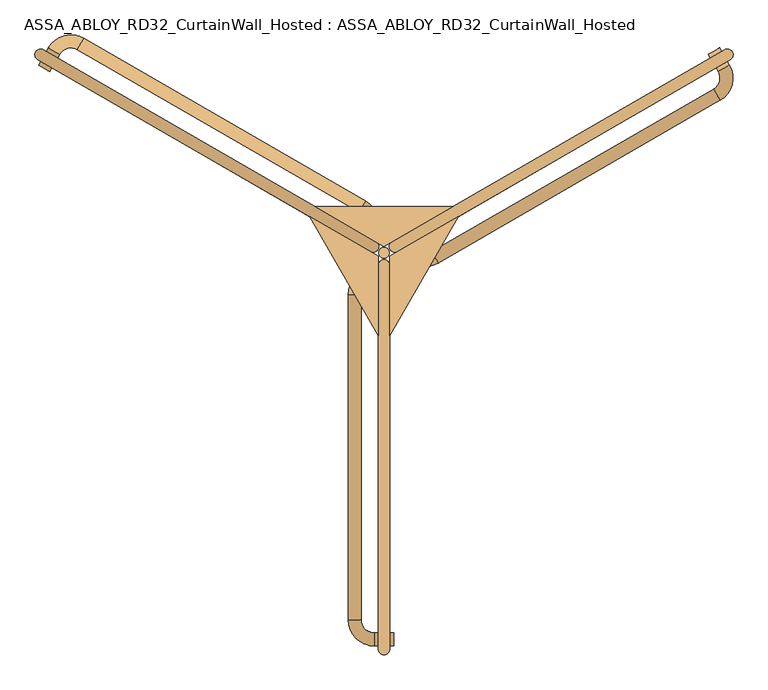
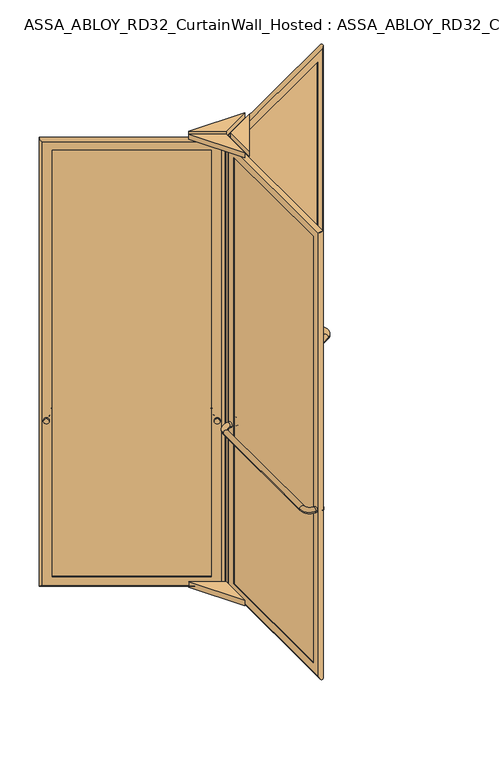
"""IFC4 building model written with IfcOpenShell, lengths in millimetres: door geometry, ASSA_ABLOY_RD32_CurtainWall_Hosted : ASSA_ABLOY_RD32_CurtainWall_Hosted."""

from ifc_helpers import new_model, si_unit, point, frame, frame_2d, origin, origin_with_axes, origin_2d, place, context, project, spatial, polyline, circle_curve, ellipse_curve, trimmed, segment, composite_curve, outline, extrude, source, transform, mapped, element, save
from ifc_brep_helpers import plane_surface, cylinder_surface, revolved_surface, advanced_brep


def assa_abloy_rd32_curtainwall_hosted_assa_abloy_rd32_2fb8576d(model_context):
    return source(origin(), model_context, "Body", "SolidModel", [
        extrude(outline(composite_curve([segment(trimmed(circle_curve(origin_2d(), 15.0), [point((0.0, 15.0))], [point((0.0, -15.0))], False, "CARTESIAN"), True, "CONTINUOUS"), segment(trimmed(circle_curve(origin_2d(), 15.0), [point((0.0, -15.0))], [point((0.0, 15.0))], False, "CARTESIAN"), True, "CONTINUOUS")], self_intersect=False)), frame((769.6319669, 459.3583302, 1050.0), z_axis=(-0.4999999999999966, 0.8660254037844406, 0.0), x_axis=(0.0, 0.0, 1.0)), (0.0, 0.0, 1.0), 10.0),
        extrude(outline(composite_curve([segment(trimmed(circle_curve(origin_2d(), 15.0), [point((0.0, 15.0))], [point((0.0, -15.0))], False, "CARTESIAN"), True, "CONTINUOUS"), segment(trimmed(circle_curve(origin_2d(), 15.0), [point((0.0, -15.0))], [point((0.0, 15.0))], False, "CARTESIAN"), True, "CONTINUOUS")], self_intersect=False)), frame((38.533321, 37.2583302, 1050.0), z_axis=(-0.4999999999999966, 0.8660254037844406, 0.0), x_axis=(0.0, 0.0, 1.0)), (0.0, 0.0, 1.0), 10.0),
        advanced_brep(
        [(38.5429399, 7.2416698, 1050.0), (64.5237021, 22.2416698, 1050.0), (43.5429399, -1.4185843, 1050.0), (69.5237021, 13.5814157, 1050.0), (110.5044642, 2.6006536, 1050.0), (125.5044642, -23.3801085, 1050.0), (778.6608237, 353.7198915, 1050.0), (763.6608237, 379.7006536, 1050.0), (774.6415858, 420.6814157, 1050.0), (800.6223479, 435.6814157, 1050.0), (795.6223479, 444.3416698, 1050.0), (769.6415858, 429.3416698, 1050.0)],
        [
            (0, 1, circle_curve(frame((51.533321, 14.7416698, 1050.0), z_axis=(-0.4999999999999966, 0.8660254037844406, 0.0), x_axis=(0.8660254037844406, 0.4999999999999966, 0.0)), 15.0)),
            (1, 0, circle_curve(frame((51.533321, 14.7416698, 1050.0), z_axis=(-0.4999999999999966, 0.8660254037844406, 0.0), x_axis=(0.8660254037844406, 0.4999999999999966, 0.0)), 15.0)),
            (0, 2),
            (2, 3, circle_curve(frame((56.533321, 6.0814157, 1050.0), z_axis=(-0.4999999999999966, 0.8660254037844406, 0.0), x_axis=(0.8660254037844406, 0.4999999999999966, 0.0)), 15.0)),
            (3, 1),
            (3, 2, circle_curve(frame((56.533321, 6.0814157, 1050.0), z_axis=(-0.4999999999999966, 0.8660254037844406, 0.0), x_axis=(0.8660254037844406, 0.4999999999999966, 0.0)), 15.0)),
            (4, 3, circle_curve(frame((95.5044642, 28.5814157, 1050.0), z_axis=(0.0, 0.0, -1.0), x_axis=(-0.8660254037844438, -0.499999999999991, 0.0)), 30.0)),
            (2, 5, circle_curve(frame((95.5044642, 28.5814157, 1050.0), z_axis=(0.0, 0.0, 1.0), x_axis=(-0.8660254037844438, -0.499999999999991, 0.0)), 60.0)),
            (5, 4, circle_curve(frame((118.0044642, -10.3897275, 1050.0), z_axis=(-0.8660254037844638, -0.49999999999995637, 0.0), x_axis=(-0.49999999999995637, 0.8660254037844638, 0.0)), 15.0)),
            (4, 5, circle_curve(frame((118.0044642, -10.3897275, 1050.0), z_axis=(-0.866025403784482, -0.4999999999999248, 0.0), x_axis=(-0.4999999999999248, 0.866025403784482, 0.0)), 15.0)),
            (5, 6),
            (6, 7, circle_curve(frame((771.1608237, 366.7102725, 1050.0), z_axis=(-0.8660254037844406, -0.4999999999999966, 0.0), x_axis=(-0.4999999999999966, 0.8660254037844406, 0.0)), 15.0)),
            (7, 4),
            (7, 6, circle_curve(frame((771.1608237, 366.7102725, 1050.0), z_axis=(-0.8660254037844406, -0.4999999999999966, 0.0), x_axis=(-0.4999999999999966, 0.8660254037844406, 0.0)), 15.0)),
            (8, 7, circle_curve(frame((748.6608237, 405.6814157, 1050.0), z_axis=(0.0, 0.0, -1.0), x_axis=(0.4999999999999914, -0.8660254037844436, 0.0)), 30.0)),
            (6, 9, circle_curve(frame((748.6608237, 405.6814157, 1050.0), z_axis=(0.0, 0.0, 1.0), x_axis=(0.4999999999999914, -0.8660254037844436, 0.0)), 60.0)),
            (9, 8, circle_curve(frame((787.6319669, 428.1814157, 1050.0), z_axis=(0.4999999999999946, -0.8660254037844417, 0.0), x_axis=(-0.8660254037844417, -0.4999999999999946, 0.0)), 15.0)),
            (8, 9, circle_curve(frame((787.6319669, 428.1814157, 1050.0), z_axis=(0.4999999999999925, -0.8660254037844429, 0.0), x_axis=(-0.8660254037844429, -0.4999999999999925, 0.0)), 15.0)),
            (10, 11, circle_curve(frame((782.6319669, 436.8416698, 1050.0), z_axis=(-0.4999999999999966, 0.8660254037844406, 0.0), x_axis=(-0.8660254037844406, -0.4999999999999966, 0.0)), 15.0)),
            (11, 10, circle_curve(frame((782.6319669, 436.8416698, 1050.0), z_axis=(-0.4999999999999966, 0.8660254037844406, 0.0), x_axis=(-0.8660254037844406, -0.4999999999999966, 0.0)), 15.0)),
            (9, 10),
            (11, 8),
        ],
        [
            plane_surface(frame((51.533321, 14.7416698, 1050.0), z_axis=(-0.4999999999999966, 0.8660254037844406, 0.0), x_axis=(0.0, 0.0, 1.0))),
            cylinder_surface(frame((51.533321, 14.7416698, 1050.0), z_axis=(-0.4999999999999966, 0.8660254037844406, 0.0), x_axis=(0.8660254037844406, 0.4999999999999966, 0.0)), 15.0),
            revolved_surface(trimmed(ellipse_curve(frame((56.533321, 6.0814157, 1050.0), z_axis=(-0.499999999999991, 0.8660254037844438, 0.0), x_axis=(0.8660254037844438, 0.499999999999991, 0.0)), 15.0, 15.0), [point((43.5429399, -1.4185843, 1050.0))], [point((69.5237021, 13.5814157, 1050.0))], True, "CARTESIAN"), (95.5044642, 28.5814157, 1050.0), (0.0, 0.0, 1.0)),
            revolved_surface(trimmed(ellipse_curve(frame((56.533321, 6.0814157, 1050.0), z_axis=(-0.499999999999991, 0.8660254037844438, 0.0), x_axis=(0.8660254037844438, 0.499999999999991, 0.0)), 15.0, 15.0), [point((69.5237021, 13.5814157, 1050.0))], [point((43.5429399, -1.4185843, 1050.0))], True, "CARTESIAN"), (95.5044642, 28.5814157, 1050.0), (0.0, 0.0, 1.0)),
            cylinder_surface(frame((118.0044642, -10.3897275, 1050.0), z_axis=(-0.8660254037844406, -0.4999999999999966, 0.0), x_axis=(-0.4999999999999966, 0.8660254037844406, 0.0)), 15.0),
            revolved_surface(trimmed(ellipse_curve(frame((771.1608237, 366.7102725, 1050.0), z_axis=(-0.8660254037844436, -0.4999999999999914, 0.0), x_axis=(-0.4999999999999914, 0.8660254037844436, 0.0)), 15.0, 15.0), [point((778.6608237, 353.7198915, 1050.0))], [point((763.6608237, 379.7006536, 1050.0))], True, "CARTESIAN"), (748.6608237, 405.6814157, 1050.0), (0.0, 0.0, 1.0)),
            revolved_surface(trimmed(ellipse_curve(frame((771.1608237, 366.7102725, 1050.0), z_axis=(-0.8660254037844436, -0.4999999999999914, 0.0), x_axis=(-0.4999999999999914, 0.8660254037844436, 0.0)), 15.0, 15.0), [point((763.6608237, 379.7006536, 1050.0))], [point((778.6608237, 353.7198915, 1050.0))], True, "CARTESIAN"), (748.6608237, 405.6814157, 1050.0), (0.0, 0.0, 1.0)),
            plane_surface(frame((782.6319669, 436.8416698, 1050.0), z_axis=(-0.4999999999999966, 0.8660254037844406, 0.0), x_axis=(0.0, 0.0, 1.0))),
            cylinder_surface(frame((787.6319669, 428.1814157, 1050.0), z_axis=(0.4999999999999966, -0.8660254037844406, 0.0), x_axis=(-0.8660254037844406, -0.4999999999999966, 0.0)), 15.0),
        ],
        [
            (0, [[1, 2]]),
            (1, [[-1, 3, 4, 5]]),
            (1, [[-2, -5, 6, -3]]),
            (2, [[7, -4, 8, 9]]),
            (3, [[-8, -6, -7, 10]]),
            (4, [[-9, 11, 12, 13]]),
            (4, [[-10, -13, 14, -11]]),
            (5, [[15, -12, 16, 17]]),
            (6, [[-16, -14, -15, 18]]),
            (7, [[19, 20]]),
            (8, [[-17, 21, -20, 22]]),
            (8, [[-18, -22, -19, -21]]),
        ],
    ),
        advanced_brep(
        [(756.0172302, 424.939746, 105.0), (757.5172302, 422.3416698, 105.0), (757.5172302, 422.3416698, 2679.0), (756.0172302, 424.939746, 2679.0), (763.3377382, 452.260254, 85.0), (773.3377382, 434.939746, 85.0), (773.3377382, 434.939746, 2699.0), (763.3377382, 452.260254, 2699.0), (744.5172302, 444.8583302, 105.0), (746.0172302, 442.260254, 105.0), (746.0172302, 442.260254, 2679.0), (744.5172302, 444.8583302, 2679.0), (802.5505512, 448.3416698, 53.0), (789.5505512, 470.8583302, 53.0), (789.5505512, 470.8583302, 2731.0), (802.5505512, 448.3416698, 2731.0), (76.6480577, 29.2416698, 2679.0), (75.1480577, 31.839746, 2679.0), (57.8275496, 21.839746, 2699.0), (47.8275496, 39.160254, 2699.0), (65.1480577, 49.160254, 2679.0), (63.6480577, 51.7583302, 2679.0), (18.6147367, 25.7583302, 2731.0), (31.6147367, 3.2416698, 2731.0), (76.6480577, 29.2416698, 105.0), (75.1480577, 31.839746, 105.0), (57.8275496, 21.839746, 85.0), (47.8275496, 39.160254, 85.0), (65.1480577, 49.160254, 105.0), (63.6480577, 51.7583302, 105.0), (18.6147367, 25.7583302, 53.0), (31.6147367, 3.2416698, 53.0)],
        [
            (0, 1),
            (1, 2),
            (2, 3),
            (3, 0),
            (4, 5),
            (5, 6),
            (6, 7),
            (7, 4),
            (8, 9),
            (9, 10),
            (10, 11),
            (11, 8),
            (12, 13, ellipse_curve(frame((796.0505512, 459.6, 53.0), z_axis=(0.6123724356958007, 0.35355339059326285, 0.7071067811865475), x_axis=(0.6123724356957908, 0.3535533905932797, -0.7071067811865477)), 18.3847763, 13.0)),
            (13, 14),
            (14, 15, ellipse_curve(frame((796.0505512, 459.6, 2731.0), z_axis=(0.612372435695791, 0.3535533905932798, -0.7071067811865475), x_axis=(-0.6123724356958007, -0.3535533905932628, -0.7071067811865476)), 18.3847763, 13.0)),
            (15, 12),
            (2, 16),
            (16, 17),
            (17, 3),
            (6, 18),
            (18, 19),
            (19, 7),
            (10, 20),
            (20, 21),
            (21, 11),
            (14, 22),
            (22, 23, ellipse_curve(frame((25.1147367, 14.5, 2731.0), z_axis=(0.6123724356958007, 0.35355339059326285, 0.7071067811865475), x_axis=(0.6123724356957913, 0.35355339059327995, -0.7071067811865472)), 18.3847763, 13.0)),
            (23, 15),
            (16, 24),
            (24, 25),
            (25, 17),
            (18, 26),
            (26, 27),
            (27, 19),
            (20, 28),
            (28, 29),
            (29, 21),
            (22, 30),
            (30, 31, ellipse_curve(frame((25.1147367, 14.5, 53.0), z_axis=(-0.612372435695791, -0.3535533905932798, 0.7071067811865475), x_axis=(0.6123724356958007, 0.3535533905932628, 0.7071067811865476)), 18.3847763, 13.0)),
            (31, 23),
            (24, 1),
            (0, 25),
            (5, 26),
            (4, 27),
            (9, 28),
            (8, 29),
            (13, 30),
            (12, 31),
        ],
        [
            plane_surface(frame((757.5172302, 422.3416698, 105.0), z_axis=(-0.8660254037844419, -0.49999999999999445, 0.0), x_axis=(0.0, 0.0, 1.0))),
            plane_surface(frame((773.3377382, 434.939746, 85.0), z_axis=(-0.8660254037844408, -0.4999999999999964, 0.0), x_axis=(0.0, 0.0, 1.0))),
            plane_surface(frame((746.0172302, 442.260254, 105.0), z_axis=(-0.8660254037844419, -0.49999999999999445, 0.0), x_axis=(0.0, 0.0, 1.0))),
            cylinder_surface(frame((796.0505512, 459.6, 40.0), z_axis=(0.0, 0.0, -1.0), x_axis=(-0.8660254037844406, -0.4999999999999966, 0.0)), 13.0),
            plane_surface(frame((757.5172302, 422.3416698, 2679.0), z_axis=(0.0, 0.0, -1.0), x_axis=(-0.8660254037844406, -0.4999999999999966, 0.0))),
            plane_surface(frame((773.3377382, 434.939746, 2699.0), z_axis=(0.0, 0.0, -1.0), x_axis=(-0.8660254037844406, -0.4999999999999966, 0.0))),
            plane_surface(frame((746.0172302, 442.260254, 2679.0), z_axis=(0.0, 0.0, -1.0), x_axis=(-0.8660254037844406, -0.4999999999999966, 0.0))),
            cylinder_surface(frame((807.3088814, 466.1, 2731.0), z_axis=(0.8660254037844406, 0.4999999999999966, 0.0), x_axis=(0.0, 0.0, -1.0)), 13.0),
            plane_surface(frame((76.6480577, 29.2416698, 2679.0), z_axis=(0.8660254037844394, 0.49999999999999883, 0.0), x_axis=(0.0, 0.0, -1.0))),
            plane_surface(frame((57.8275496, 21.839746, 2699.0), z_axis=(0.8660254037844405, 0.4999999999999969, 0.0), x_axis=(0.0, 0.0, -1.0))),
            plane_surface(frame((65.1480577, 49.160254, 2679.0), z_axis=(0.8660254037844394, 0.49999999999999883, 0.0), x_axis=(0.0, 0.0, -1.0))),
            cylinder_surface(frame((25.1147367, 14.5, 2744.0), z_axis=(0.0, 0.0, 1.0), x_axis=(0.8660254037844406, 0.4999999999999966, 0.0)), 13.0),
            plane_surface(frame((76.6480577, 29.2416698, 105.0), z_axis=(0.0, 0.0, 1.0), x_axis=(0.8660254037844406, 0.4999999999999966, 0.0))),
            plane_surface(frame((75.1480577, 31.839746, 105.0), z_axis=(-0.4999999999999966, 0.8660254037844406, 0.0), x_axis=(0.8660254037844406, 0.4999999999999966, 0.0))),
            plane_surface(frame((57.8275496, 21.839746, 85.0), z_axis=(0.0, 0.0, 1.0), x_axis=(0.8660254037844406, 0.4999999999999966, 0.0))),
            plane_surface(frame((47.8275496, 39.160254, 85.0), z_axis=(0.4999999999999966, -0.8660254037844406, 0.0), x_axis=(0.8660254037844406, 0.4999999999999966, 0.0))),
            plane_surface(frame((65.1480577, 49.160254, 105.0), z_axis=(0.0, 0.0, 1.0), x_axis=(0.8660254037844406, 0.4999999999999966, 0.0))),
            plane_surface(frame((63.6480577, 51.7583302, 105.0), z_axis=(-0.4999999999999966, 0.8660254037844406, 0.0), x_axis=(0.8660254037844406, 0.4999999999999966, 0.0))),
            cylinder_surface(frame((13.8564065, 8.0, 53.0), z_axis=(-0.8660254037844406, -0.4999999999999966, 0.0), x_axis=(0.0, 0.0, 1.0)), 13.0),
            plane_surface(frame((31.6147367, 3.2416698, 53.0), z_axis=(0.4999999999999966, -0.8660254037844406, 0.0), x_axis=(0.8660254037844406, 0.4999999999999966, 0.0))),
        ],
        [
            (0, [[1, 2, 3, 4]]),
            (1, [[5, 6, 7, 8]]),
            (2, [[9, 10, 11, 12]]),
            (3, [[13, 14, 15, 16]]),
            (4, [[-3, 17, 18, 19]]),
            (5, [[-7, 20, 21, 22]]),
            (6, [[-11, 23, 24, 25]]),
            (7, [[-15, 26, 27, 28]]),
            (8, [[-18, 29, 30, 31]]),
            (9, [[-21, 32, 33, 34]]),
            (10, [[-24, 35, 36, 37]]),
            (11, [[-27, 38, 39, 40]]),
            (12, [[-30, 41, -1, 42]]),
            (13, [[43, -32, -20, -6], [-19, -31, -42, -4]]),
            (14, [[-33, -43, -5, 44]]),
            (15, [[-22, -34, -44, -8], [45, -35, -23, -10]]),
            (16, [[-36, -45, -9, 46]]),
            (17, [[47, -38, -26, -14], [-25, -37, -46, -12]]),
            (18, [[-39, -47, -13, 48]]),
            (19, [[-28, -40, -48, -16], [-41, -29, -17, -2]]),
        ],
    ),
        extrude(outline(polyline([(765.8377382, 447.930127), (770.8377382, 439.269873), (55.3275496, 26.169873), (50.3275496, 34.830127), (765.8377382, 447.930127)])), frame((0.0, 0.0, 85.0), z_axis=(0.0, 0.0, 1.0), x_axis=(1.0, 0.0, 0.0)), (0.0, 0.0, 1.0), 2614.0),
        extrude(outline(composite_curve([segment(trimmed(circle_curve(origin_2d(), 15.0), [point((0.0, -15.0))], [point((0.0, 15.0))], False, "CARTESIAN"), True, "CONTINUOUS"), segment(trimmed(circle_curve(origin_2d(), 15.0), [point((0.0, 15.0))], [point((0.0, -15.0))], False, "CARTESIAN"), True, "CONTINUOUS")], self_intersect=False)), frame((-787.6319669, 428.1814157, 1050.0), z_axis=(0.49999999999999417, 0.866025403784442, 0.0), x_axis=(0.0, 0.0, 1.0)), (0.0, 0.0, 1.0), 10.0),
        extrude(outline(composite_curve([segment(trimmed(circle_curve(origin_2d(), 15.0), [point((0.0, -15.0))], [point((0.0, 15.0))], False, "CARTESIAN"), True, "CONTINUOUS"), segment(trimmed(circle_curve(origin_2d(), 15.0), [point((0.0, 15.0))], [point((0.0, -15.0))], False, "CARTESIAN"), True, "CONTINUOUS")], self_intersect=False)), frame((-56.533321, 6.0814157, 1050.0), z_axis=(0.49999999999999417, 0.866025403784442, 0.0), x_axis=(0.0, 0.0, 1.0)), (0.0, 0.0, 1.0), 10.0),
        advanced_brep(
        [(-25.5429399, 29.7583302, 1050.0), (-51.5237021, 44.7583302, 1050.0), (-20.5429399, 38.4185843, 1050.0), (-46.5237021, 53.4185843, 1050.0), (-57.5044642, 94.3993464, 1050.0), (-42.5044642, 120.3801085, 1050.0), (-695.6608237, 497.4801085, 1050.0), (-710.6608237, 471.4993464, 1050.0), (-751.6415858, 460.5185843, 1050.0), (-777.6223479, 475.5185843, 1050.0), (-782.6223479, 466.8583302, 1050.0), (-756.6415858, 451.8583302, 1050.0)],
        [
            (0, 1, circle_curve(frame((-38.533321, 37.2583302, 1050.0), z_axis=(-0.49999999999999417, -0.866025403784442, 0.0), x_axis=(-0.8660254037844415, 0.49999999999999384, 0.0)), 15.0)),
            (1, 0, circle_curve(frame((-38.533321, 37.2583302, 1050.0), z_axis=(-0.49999999999999417, -0.866025403784442, 0.0), x_axis=(-0.8660254037844415, 0.49999999999999384, 0.0)), 15.0)),
            (0, 2),
            (2, 3, circle_curve(frame((-33.533321, 45.9185843, 1050.0), z_axis=(-0.49999999999999417, -0.866025403784442, 0.0), x_axis=(-0.8660254037844415, 0.49999999999999384, 0.0)), 15.0)),
            (3, 1),
            (3, 2, circle_curve(frame((-33.533321, 45.9185843, 1050.0), z_axis=(-0.49999999999999417, -0.866025403784442, 0.0), x_axis=(-0.8660254037844415, 0.49999999999999384, 0.0)), 15.0)),
            (4, 3, circle_curve(frame((-72.5044642, 68.4185843, 1050.0), z_axis=(0.0, 0.0, -1.0), x_axis=(0.8660254037844383, -0.49999999999999944, 0.0)), 30.0)),
            (2, 5, circle_curve(frame((-72.5044642, 68.4185843, 1050.0), z_axis=(0.0, 0.0, 1.0), x_axis=(0.8660254037844383, -0.49999999999999944, 0.0)), 60.0)),
            (5, 4, circle_curve(frame((-50.0044642, 107.3897275, 1050.0), z_axis=(0.8660254037844182, -0.5000000000000342, 0.0), x_axis=(-0.5000000000000342, -0.8660254037844182, 0.0)), 15.0)),
            (4, 5, circle_curve(frame((-50.0044642, 107.3897275, 1050.0), z_axis=(0.8660254037844, -0.5000000000000657, 0.0), x_axis=(-0.5000000000000657, -0.8660254037844, 0.0)), 15.0)),
            (5, 6),
            (6, 7, circle_curve(frame((-703.1608237, 484.4897275, 1050.0), z_axis=(0.866025403784442, -0.49999999999999417, 0.0), x_axis=(-0.49999999999999384, -0.8660254037844415, 0.0)), 15.0)),
            (7, 4),
            (7, 6, circle_curve(frame((-703.1608237, 484.4897275, 1050.0), z_axis=(0.866025403784442, -0.49999999999999417, 0.0), x_axis=(-0.49999999999999384, -0.8660254037844415, 0.0)), 15.0)),
            (8, 7, circle_curve(frame((-725.6608237, 445.5185843, 1050.0), z_axis=(0.0, 0.0, -1.0), x_axis=(0.49999999999999906, 0.8660254037844385, 0.0)), 30.0)),
            (6, 9, circle_curve(frame((-725.6608237, 445.5185843, 1050.0), z_axis=(0.0, 0.0, 1.0), x_axis=(0.49999999999999906, 0.8660254037844385, 0.0)), 60.0)),
            (9, 8, circle_curve(frame((-764.6319669, 468.0185843, 1050.0), z_axis=(0.49999999999999584, 0.8660254037844404, 0.0), x_axis=(0.8660254037844404, -0.49999999999999584, 0.0)), 15.0)),
            (8, 9, circle_curve(frame((-764.6319669, 468.0185843, 1050.0), z_axis=(0.49999999999999795, 0.8660254037844392, 0.0), x_axis=(0.8660254037844392, -0.49999999999999795, 0.0)), 15.0)),
            (10, 11, circle_curve(frame((-769.6319669, 459.3583302, 1050.0), z_axis=(-0.49999999999999417, -0.866025403784442, 0.0), x_axis=(0.8660254037844415, -0.49999999999999384, 0.0)), 15.0)),
            (11, 10, circle_curve(frame((-769.6319669, 459.3583302, 1050.0), z_axis=(-0.49999999999999417, -0.866025403784442, 0.0), x_axis=(0.8660254037844415, -0.49999999999999384, 0.0)), 15.0)),
            (9, 10),
            (11, 8),
        ],
        [
            plane_surface(frame((-38.533321, 37.2583302, 1050.0), z_axis=(-0.49999999999999417, -0.866025403784442, 0.0), x_axis=(0.0, 0.0, 1.0))),
            cylinder_surface(frame((-38.533321, 37.2583302, 1050.0), z_axis=(-0.49999999999999384, -0.8660254037844415, 0.0), x_axis=(-0.8660254037844415, 0.49999999999999384, 0.0)), 15.0),
            revolved_surface(trimmed(ellipse_curve(frame((-33.533321, 45.9185843, 1050.0), z_axis=(-0.4999999999999995, -0.8660254037844383, 0.0), x_axis=(-0.8660254037844383, 0.4999999999999995, 0.0)), 15.0, 15.0), [point((-20.5429399, 38.4185843, 1050.0))], [point((-46.5237021, 53.4185843, 1050.0))], True, "CARTESIAN"), (-72.5044642, 68.4185843, 1050.0), (0.0, 0.0, 1.0)),
            revolved_surface(trimmed(ellipse_curve(frame((-33.533321, 45.9185843, 1050.0), z_axis=(-0.4999999999999995, -0.8660254037844383, 0.0), x_axis=(-0.8660254037844383, 0.4999999999999995, 0.0)), 15.0, 15.0), [point((-46.5237021, 53.4185843, 1050.0))], [point((-20.5429399, 38.4185843, 1050.0))], True, "CARTESIAN"), (-72.5044642, 68.4185843, 1050.0), (0.0, 0.0, 1.0)),
            cylinder_surface(frame((-50.0044642, 107.3897275, 1050.0), z_axis=(0.8660254037844415, -0.49999999999999384, 0.0), x_axis=(-0.49999999999999384, -0.8660254037844415, 0.0)), 15.0),
            revolved_surface(trimmed(ellipse_curve(frame((-703.1608237, 484.4897275, 1050.0), z_axis=(0.8660254037844385, -0.49999999999999906, 0.0), x_axis=(-0.49999999999999906, -0.8660254037844385, 0.0)), 15.0, 15.0), [point((-695.6608237, 497.4801085, 1050.0))], [point((-710.6608237, 471.4993464, 1050.0))], True, "CARTESIAN"), (-725.6608237, 445.5185843, 1050.0), (0.0, 0.0, 1.0)),
            revolved_surface(trimmed(ellipse_curve(frame((-703.1608237, 484.4897275, 1050.0), z_axis=(0.8660254037844385, -0.49999999999999906, 0.0), x_axis=(-0.49999999999999906, -0.8660254037844385, 0.0)), 15.0, 15.0), [point((-710.6608237, 471.4993464, 1050.0))], [point((-695.6608237, 497.4801085, 1050.0))], True, "CARTESIAN"), (-725.6608237, 445.5185843, 1050.0), (0.0, 0.0, 1.0)),
            plane_surface(frame((-769.6319669, 459.3583302, 1050.0), z_axis=(-0.49999999999999417, -0.866025403784442, 0.0), x_axis=(0.0, 0.0, 1.0))),
            cylinder_surface(frame((-764.6319669, 468.0185843, 1050.0), z_axis=(0.49999999999999384, 0.8660254037844415, 0.0), x_axis=(0.8660254037844415, -0.49999999999999384, 0.0)), 15.0),
        ],
        [
            (0, [[1, 2]]),
            (1, [[-1, 3, 4, 5]]),
            (1, [[-2, -5, 6, -3]]),
            (2, [[7, -4, 8, 9]]),
            (3, [[-8, -6, -7, 10]]),
            (4, [[-9, 11, 12, 13]]),
            (4, [[-10, -13, 14, -11]]),
            (5, [[15, -12, 16, 17]]),
            (6, [[-16, -14, -15, 18]]),
            (7, [[19, 20]]),
            (8, [[-17, 21, -20, 22]]),
            (8, [[-18, -22, -19, -21]]),
        ],
    ),
        advanced_brep(
        [(-746.0172302, 442.260254, 105.0), (-744.5172302, 444.8583302, 105.0), (-744.5172302, 444.8583302, 2679.0), (-746.0172302, 442.260254, 2679.0), (-773.3377382, 434.939746, 85.0), (-763.3377382, 452.260254, 85.0), (-763.3377382, 452.260254, 2699.0), (-773.3377382, 434.939746, 2699.0), (-757.5172302, 422.3416698, 105.0), (-756.0172302, 424.939746, 105.0), (-756.0172302, 424.939746, 2679.0), (-757.5172302, 422.3416698, 2679.0), (-789.5505512, 470.8583302, 53.0), (-802.5505512, 448.3416698, 53.0), (-802.5505512, 448.3416698, 2731.0), (-789.5505512, 470.8583302, 2731.0), (-63.6480577, 51.7583302, 2679.0), (-65.1480577, 49.160254, 2679.0), (-47.8275496, 39.160254, 2699.0), (-57.8275496, 21.839746, 2699.0), (-75.1480577, 31.839746, 2679.0), (-76.6480577, 29.2416698, 2679.0), (-31.6147367, 3.2416698, 2731.0), (-18.6147367, 25.7583302, 2731.0), (-63.6480577, 51.7583302, 105.0), (-65.1480577, 49.160254, 105.0), (-47.8275496, 39.160254, 85.0), (-57.8275496, 21.839746, 85.0), (-75.1480577, 31.839746, 105.0), (-76.6480577, 29.2416698, 105.0), (-31.6147367, 3.2416698, 53.0), (-18.6147367, 25.7583302, 53.0)],
        [
            (0, 1),
            (1, 2),
            (2, 3),
            (3, 0),
            (4, 5),
            (5, 6),
            (6, 7),
            (7, 4),
            (8, 9),
            (9, 10),
            (10, 11),
            (11, 8),
            (12, 13, ellipse_curve(frame((-796.0505512, 459.6, 53.0), z_axis=(-0.612372435695792, 0.35355339059327806, 0.7071067811865475), x_axis=(-0.6123724356958017, 0.3535533905932611, -0.7071067811865476)), 18.3847763, 13.0)),
            (13, 14),
            (14, 15, ellipse_curve(frame((-796.0505512, 459.6, 2731.0), z_axis=(-0.6123724356958017, 0.35355339059326113, -0.7071067811865475), x_axis=(0.6123724356957919, -0.353553390593278, -0.7071067811865477)), 18.3847763, 13.0)),
            (15, 12),
            (2, 16),
            (16, 17),
            (17, 3),
            (6, 18),
            (18, 19),
            (19, 7),
            (10, 20),
            (20, 21),
            (21, 11),
            (14, 22),
            (22, 23, ellipse_curve(frame((-25.1147367, 14.5, 2731.0), z_axis=(-0.612372435695792, 0.35355339059327806, 0.7071067811865475), x_axis=(-0.6123724356958017, 0.3535533905932612, -0.7071067811865475)), 18.3847763, 13.0)),
            (23, 15),
            (16, 24),
            (24, 25),
            (25, 17),
            (18, 26),
            (26, 27),
            (27, 19),
            (20, 28),
            (28, 29),
            (29, 21),
            (22, 30),
            (30, 31, ellipse_curve(frame((-25.1147367, 14.5, 53.0), z_axis=(0.6123724356958017, -0.35355339059326113, 0.7071067811865475), x_axis=(-0.6123724356957919, 0.353553390593278, 0.7071067811865477)), 18.3847763, 13.0)),
            (31, 23),
            (24, 1),
            (0, 25),
            (5, 26),
            (4, 27),
            (9, 28),
            (8, 29),
            (13, 30),
            (12, 31),
        ],
        [
            plane_surface(frame((-744.5172302, 444.8583302, 105.0), z_axis=(0.8660254037844408, -0.4999999999999964, 0.0), x_axis=(0.0, 0.0, 1.0))),
            plane_surface(frame((-763.3377382, 452.260254, 85.0), z_axis=(0.8660254037844419, -0.49999999999999445, 0.0), x_axis=(0.0, 0.0, 1.0))),
            plane_surface(frame((-756.0172302, 424.939746, 105.0), z_axis=(0.8660254037844408, -0.4999999999999964, 0.0), x_axis=(0.0, 0.0, 1.0))),
            cylinder_surface(frame((-796.0505512, 459.6, 40.0), z_axis=(0.0, 0.0, -1.0), x_axis=(0.8660254037844415, -0.49999999999999384, 0.0)), 13.0),
            plane_surface(frame((-744.5172302, 444.8583302, 2679.0), z_axis=(0.0, 0.0, -1.0), x_axis=(0.866025403784442, -0.49999999999999417, 0.0))),
            plane_surface(frame((-763.3377382, 452.260254, 2699.0), z_axis=(0.0, 0.0, -1.0), x_axis=(0.866025403784442, -0.49999999999999417, 0.0))),
            plane_surface(frame((-756.0172302, 424.939746, 2679.0), z_axis=(0.0, 0.0, -1.0), x_axis=(0.866025403784442, -0.49999999999999417, 0.0))),
            cylinder_surface(frame((-807.3088814, 466.1, 2731.0), z_axis=(-0.8660254037844415, 0.49999999999999384, 0.0), x_axis=(0.0, 0.0, -1.0)), 13.0),
            plane_surface(frame((-63.6480577, 51.7583302, 2679.0), z_axis=(-0.8660254037844433, 0.49999999999999195, 0.0), x_axis=(0.0, 0.0, -1.0))),
            plane_surface(frame((-47.8275496, 39.160254, 2699.0), z_axis=(-0.8660254037844421, 0.4999999999999939, 0.0), x_axis=(0.0, 0.0, -1.0))),
            plane_surface(frame((-75.1480577, 31.839746, 2679.0), z_axis=(-0.8660254037844433, 0.49999999999999195, 0.0), x_axis=(0.0, 0.0, -1.0))),
            cylinder_surface(frame((-25.1147367, 14.5, 2744.0), z_axis=(0.0, 0.0, 1.0), x_axis=(-0.8660254037844415, 0.49999999999999384, 0.0)), 13.0),
            plane_surface(frame((-63.6480577, 51.7583302, 105.0), z_axis=(0.0, 0.0, 1.0), x_axis=(-0.866025403784442, 0.49999999999999417, 0.0))),
            plane_surface(frame((-65.1480577, 49.160254, 105.0), z_axis=(-0.49999999999999417, -0.866025403784442, 0.0), x_axis=(-0.866025403784442, 0.49999999999999417, 0.0))),
            plane_surface(frame((-47.8275496, 39.160254, 85.0), z_axis=(0.0, 0.0, 1.0), x_axis=(-0.866025403784442, 0.49999999999999417, 0.0))),
            plane_surface(frame((-57.8275496, 21.839746, 85.0), z_axis=(0.49999999999999417, 0.866025403784442, 0.0), x_axis=(-0.866025403784442, 0.49999999999999417, 0.0))),
            plane_surface(frame((-75.1480577, 31.839746, 105.0), z_axis=(0.0, 0.0, 1.0), x_axis=(-0.866025403784442, 0.49999999999999417, 0.0))),
            plane_surface(frame((-76.6480577, 29.2416698, 105.0), z_axis=(-0.49999999999999417, -0.866025403784442, 0.0), x_axis=(-0.866025403784442, 0.49999999999999417, 0.0))),
            cylinder_surface(frame((-13.8564065, 8.0, 53.0), z_axis=(0.8660254037844415, -0.49999999999999384, 0.0), x_axis=(0.0, 0.0, 1.0)), 13.0),
            plane_surface(frame((-18.6147367, 25.7583302, 53.0), z_axis=(0.49999999999999417, 0.866025403784442, 0.0), x_axis=(-0.866025403784442, 0.49999999999999417, 0.0))),
        ],
        [
            (0, [[1, 2, 3, 4]]),
            (1, [[5, 6, 7, 8]]),
            (2, [[9, 10, 11, 12]]),
            (3, [[13, 14, 15, 16]]),
            (4, [[-3, 17, 18, 19]]),
            (5, [[-7, 20, 21, 22]]),
            (6, [[-11, 23, 24, 25]]),
            (7, [[-15, 26, 27, 28]]),
            (8, [[-18, 29, 30, 31]]),
            (9, [[-21, 32, 33, 34]]),
            (10, [[-24, 35, 36, 37]]),
            (11, [[-27, 38, 39, 40]]),
            (12, [[-30, 41, -1, 42]]),
            (13, [[43, -32, -20, -6], [-19, -31, -42, -4]]),
            (14, [[-33, -43, -5, 44]]),
            (15, [[-22, -34, -44, -8], [45, -35, -23, -10]]),
            (16, [[-36, -45, -9, 46]]),
            (17, [[47, -38, -26, -14], [-25, -37, -46, -12]]),
            (18, [[-39, -47, -13, 48]]),
            (19, [[-28, -40, -48, -16], [-41, -29, -17, -2]]),
        ],
    ),
        extrude(outline(polyline([(-770.8377382, 439.269873), (-765.8377382, 447.930127), (-50.3275496, 34.830127), (-55.3275496, 26.169873), (-770.8377382, 439.269873)])), frame((0.0, 0.0, 85.0), z_axis=(0.0, 0.0, 1.0), x_axis=(1.0, 0.0, 0.0)), (0.0, 0.0, 1.0), 2614.0),
        extrude(outline(composite_curve([segment(trimmed(circle_curve(frame_2d((-896.2, 1050.0)), 15.0), [point((-911.2, 1050.0))], [point((-881.2, 1050.0))], False, "CARTESIAN"), True, "CONTINUOUS"), segment(trimmed(circle_curve(frame_2d((-896.2, 1050.0)), 15.0), [point((-881.2, 1050.0))], [point((-911.2, 1050.0))], False, "CARTESIAN"), True, "CONTINUOUS")], self_intersect=False)), frame((13.0, 0.0, 0.0), z_axis=(1.0, 0.0, 0.0), x_axis=(0.0, 1.0, 0.0)), (0.0, 0.0, 1.0), 10.0),
        extrude(outline(composite_curve([segment(trimmed(circle_curve(frame_2d((-52.0, 1050.0)), 15.0), [point((-67.0, 1050.0))], [point((-37.0, 1050.0))], False, "CARTESIAN"), True, "CONTINUOUS"), segment(trimmed(circle_curve(frame_2d((-52.0, 1050.0)), 15.0), [point((-37.0, 1050.0))], [point((-67.0, 1050.0))], False, "CARTESIAN"), True, "CONTINUOUS")], self_intersect=False)), frame((13.0, 0.0, 0.0), z_axis=(1.0, 0.0, 0.0), x_axis=(0.0, 1.0, 0.0)), (0.0, 0.0, 1.0), 10.0),
        advanced_brep(
        [(-13.0, -37.0, 1050.0), (-13.0, -67.0, 1050.0), (-23.0, -37.0, 1050.0), (-23.0, -67.0, 1050.0), (-53.0, -97.0, 1050.0), (-83.0, -97.0, 1050.0), (-83.0, -851.2, 1050.0), (-53.0, -851.2, 1050.0), (-23.0, -881.2, 1050.0), (-23.0, -911.2, 1050.0), (-13.0, -911.2, 1050.0), (-13.0, -881.2, 1050.0)],
        [
            (0, 1, circle_curve(frame((-13.0, -52.0, 1050.0), z_axis=(1.0, 0.0, 0.0), x_axis=(0.0, -1.0000000000000009, 0.0)), 15.0)),
            (1, 0, circle_curve(frame((-13.0, -52.0, 1050.0), z_axis=(1.0, 0.0, 0.0), x_axis=(0.0, -1.0000000000000009, 0.0)), 15.0)),
            (0, 2),
            (2, 3, circle_curve(frame((-23.0, -52.0, 1050.0), z_axis=(1.0, 0.0, 0.0), x_axis=(0.0, -1.0000000000000009, 0.0)), 15.0)),
            (3, 1),
            (3, 2, circle_curve(frame((-23.0, -52.0, 1050.0), z_axis=(1.0, 0.0, 0.0), x_axis=(0.0, -1.0000000000000009, 0.0)), 15.0)),
            (4, 3, circle_curve(frame((-23.0, -97.0, 1050.0), z_axis=(0.0, 0.0, -1.0), x_axis=(0.0, 1.0000000000000009, 0.0)), 30.0)),
            (2, 5, circle_curve(frame((-23.0, -97.0, 1050.0), z_axis=(0.0, 0.0, 1.0), x_axis=(0.0, 1.0000000000000009, 0.0)), 60.0)),
            (5, 4, circle_curve(frame((-68.0, -97.0, 1050.0), z_axis=(0.0, 1.0000000000000009, 0.0), x_axis=(1.0000000000000009, 0.0, 0.0)), 15.0)),
            (4, 5, circle_curve(frame((-68.0, -97.0, 1050.0), z_axis=(0.0, 1.0000000000000009, 0.0), x_axis=(1.0000000000000009, 0.0, 0.0)), 15.0)),
            (5, 6),
            (6, 7, circle_curve(frame((-68.0, -851.2, 1050.0), z_axis=(0.0, 1.0, 0.0), x_axis=(1.0000000000000009, 0.0, 0.0)), 15.0)),
            (7, 4),
            (7, 6, circle_curve(frame((-68.0, -851.2, 1050.0), z_axis=(0.0, 1.0, 0.0), x_axis=(1.0000000000000009, 0.0, 0.0)), 15.0)),
            (8, 7, circle_curve(frame((-23.0, -851.2, 1050.0), z_axis=(0.0, 0.0, -1.0), x_axis=(-1.0000000000000009, 0.0, 0.0)), 30.0)),
            (6, 9, circle_curve(frame((-23.0, -851.2, 1050.0), z_axis=(0.0, 0.0, 1.0), x_axis=(-1.0000000000000009, 0.0, 0.0)), 60.0)),
            (9, 8, circle_curve(frame((-23.0, -896.2, 1050.0), z_axis=(-1.0000000000000009, 0.0, 0.0), x_axis=(0.0, 1.0000000000000009, 0.0)), 15.0)),
            (8, 9, circle_curve(frame((-23.0, -896.2, 1050.0), z_axis=(-1.0000000000000009, 0.0, 0.0), x_axis=(0.0, 1.0000000000000009, 0.0)), 15.0)),
            (10, 11, circle_curve(frame((-13.0, -896.2, 1050.0), z_axis=(1.0, 0.0, 0.0), x_axis=(0.0, 1.0000000000000009, 0.0)), 15.0)),
            (11, 10, circle_curve(frame((-13.0, -896.2, 1050.0), z_axis=(1.0, 0.0, 0.0), x_axis=(0.0, 1.0000000000000009, 0.0)), 15.0)),
            (9, 10),
            (11, 8),
        ],
        [
            plane_surface(frame((-13.0, -52.0, 1050.0), z_axis=(1.0, 0.0, 0.0), x_axis=(0.0, 0.0, 1.0))),
            cylinder_surface(frame((-13.0, -52.0, 1050.0), z_axis=(1.0000000000000009, 0.0, 0.0), x_axis=(0.0, -1.0000000000000009, 0.0)), 15.0),
            revolved_surface(trimmed(ellipse_curve(frame((-23.0, -52.0, 1050.0), z_axis=(1.0000000000000009, 0.0, 0.0), x_axis=(0.0, -1.0000000000000009, 0.0)), 15.0, 15.0), [point((-23.0, -37.0, 1050.0))], [point((-23.0, -67.0, 1050.0))], True, "CARTESIAN"), (-23.0, -97.0, 1050.0), (0.0, 0.0, 1.0)),
            revolved_surface(trimmed(ellipse_curve(frame((-23.0, -52.0, 1050.0), z_axis=(1.0000000000000009, 0.0, 0.0), x_axis=(0.0, -1.0000000000000009, 0.0)), 15.0, 15.0), [point((-23.0, -67.0, 1050.0))], [point((-23.0, -37.0, 1050.0))], True, "CARTESIAN"), (-23.0, -97.0, 1050.0), (0.0, 0.0, 1.0)),
            cylinder_surface(frame((-68.0, -97.0, 1050.0), z_axis=(0.0, 1.0000000000000009, 0.0), x_axis=(1.0000000000000009, 0.0, 0.0)), 15.0),
            revolved_surface(trimmed(ellipse_curve(frame((-68.0, -851.2, 1050.0), z_axis=(0.0, 1.0000000000000009, 0.0), x_axis=(1.0000000000000009, 0.0, 0.0)), 15.0, 15.0), [point((-83.0, -851.2, 1050.0))], [point((-53.0, -851.2, 1050.0))], True, "CARTESIAN"), (-23.0, -851.2, 1050.0), (0.0, 0.0, 1.0)),
            revolved_surface(trimmed(ellipse_curve(frame((-68.0, -851.2, 1050.0), z_axis=(0.0, 1.0000000000000009, 0.0), x_axis=(1.0000000000000009, 0.0, 0.0)), 15.0, 15.0), [point((-53.0, -851.2, 1050.0))], [point((-83.0, -851.2, 1050.0))], True, "CARTESIAN"), (-23.0, -851.2, 1050.0), (0.0, 0.0, 1.0)),
            plane_surface(frame((-13.0, -896.2, 1050.0), z_axis=(1.0, 0.0, 0.0), x_axis=(0.0, 0.0, 1.0))),
            cylinder_surface(frame((-23.0, -896.2, 1050.0), z_axis=(-1.0000000000000009, 0.0, 0.0), x_axis=(0.0, 1.0000000000000009, 0.0)), 15.0),
        ],
        [
            (0, [[1, 2]]),
            (1, [[-1, 3, 4, 5]]),
            (1, [[-2, -5, 6, -3]]),
            (2, [[7, -4, 8, 9]]),
            (3, [[-8, -6, -7, 10]]),
            (4, [[-9, 11, 12, 13]]),
            (4, [[-10, -13, 14, -11]]),
            (5, [[15, -12, 16, 17]]),
            (6, [[-16, -14, -15, 18]]),
            (7, [[19, 20]]),
            (8, [[-17, 21, -20, 22]]),
            (8, [[-18, -22, -19, -21]]),
        ],
    ),
        advanced_brep(
        [(-10.0, -867.2, 105.0), (-13.0, -867.2, 105.0), (-13.0, -867.2, 2679.0), (-10.0, -867.2, 2679.0), (10.0, -887.2, 85.0), (-10.0, -887.2, 85.0), (-10.0, -887.2, 2699.0), (10.0, -887.2, 2699.0), (13.0, -867.2, 105.0), (10.0, -867.2, 105.0), (10.0, -867.2, 2679.0), (13.0, -867.2, 2679.0), (-13.0, -919.2, 53.0), (13.0, -919.2, 53.0), (13.0, -919.2, 2731.0), (-13.0, -919.2, 2731.0), (-13.0, -81.0, 2679.0), (-10.0, -81.0, 2679.0), (-10.0, -61.0, 2699.0), (10.0, -61.0, 2699.0), (10.0, -81.0, 2679.0), (13.0, -81.0, 2679.0), (13.0, -29.0, 2731.0), (-13.0, -29.0, 2731.0), (-13.0, -81.0, 105.0), (-10.0, -81.0, 105.0), (-10.0, -61.0, 85.0), (10.0, -61.0, 85.0), (10.0, -81.0, 105.0), (13.0, -81.0, 105.0), (13.0, -29.0, 53.0), (-13.0, -29.0, 53.0)],
        [
            (0, 1),
            (1, 2),
            (2, 3),
            (3, 0),
            (4, 5),
            (5, 6),
            (6, 7),
            (7, 4),
            (8, 9),
            (9, 10),
            (10, 11),
            (11, 8),
            (12, 13, ellipse_curve(frame((0.0, -919.2, 53.0), z_axis=(0.0, -0.7071067811865475, 0.7071067811865475), x_axis=(0.0, -0.7071067811865474, -0.7071067811865476)), 18.3847763, 13.0)),
            (13, 14),
            (14, 15, ellipse_curve(frame((0.0, -919.2, 2731.0), z_axis=(0.0, -0.7071067811865475, -0.7071067811865475), x_axis=(0.0, 0.7071067811865474, -0.7071067811865476)), 18.3847763, 13.0)),
            (15, 12),
            (2, 16),
            (16, 17),
            (17, 3),
            (6, 18),
            (18, 19),
            (19, 7),
            (10, 20),
            (20, 21),
            (21, 11),
            (14, 22),
            (22, 23, ellipse_curve(frame((0.0, -29.0, 2731.0), z_axis=(0.0, -0.7071067811865475, 0.7071067811865475), x_axis=(0.0, -0.7071067811865476, -0.7071067811865474)), 18.3847763, 13.0)),
            (23, 15),
            (16, 24),
            (24, 25),
            (25, 17),
            (18, 26),
            (26, 27),
            (27, 19),
            (20, 28),
            (28, 29),
            (29, 21),
            (22, 30),
            (30, 31, ellipse_curve(frame((0.0, -29.0, 53.0), z_axis=(0.0, 0.7071067811865475, 0.7071067811865475), x_axis=(0.0, -0.7071067811865474, 0.7071067811865476)), 18.3847763, 13.0)),
            (31, 23),
            (24, 1),
            (0, 25),
            (5, 26),
            (4, 27),
            (9, 28),
            (8, 29),
            (13, 30),
            (12, 31),
        ],
        [
            plane_surface(frame((-13.0, -867.2, 105.0), z_axis=(0.0, 1.0, 0.0), x_axis=(0.0, 0.0, 1.0))),
            plane_surface(frame((-10.0, -887.2, 85.0), z_axis=(0.0, 1.0, 0.0), x_axis=(0.0, 0.0, 1.0))),
            plane_surface(frame((10.0, -867.2, 105.0), z_axis=(0.0, 1.0, 0.0), x_axis=(0.0, 0.0, 1.0))),
            cylinder_surface(frame((0.0, -919.2, 40.0), z_axis=(0.0, 0.0, -1.0), x_axis=(0.0, 1.0000000000000009, 0.0)), 13.0),
            plane_surface(frame((-13.0, -867.2, 2679.0), z_axis=(0.0, 0.0, -1.0), x_axis=(0.0, 1.0, 0.0))),
            plane_surface(frame((-10.0, -887.2, 2699.0), z_axis=(0.0, 0.0, -1.0), x_axis=(0.0, 1.0, 0.0))),
            plane_surface(frame((10.0, -867.2, 2679.0), z_axis=(0.0, 0.0, -1.0), x_axis=(0.0, 1.0, 0.0))),
            cylinder_surface(frame((0.0, -932.2, 2731.0), z_axis=(0.0, -1.0000000000000009, 0.0), x_axis=(0.0, 0.0, -1.0)), 13.0),
            plane_surface(frame((-13.0, -81.0, 2679.0), z_axis=(0.0, -1.0, 0.0), x_axis=(0.0, 0.0, -1.0))),
            plane_surface(frame((-10.0, -61.0, 2699.0), z_axis=(0.0, -1.0, 0.0), x_axis=(0.0, 0.0, -1.0))),
            plane_surface(frame((10.0, -81.0, 2679.0), z_axis=(0.0, -1.0, 0.0), x_axis=(0.0, 0.0, -1.0))),
            cylinder_surface(frame((0.0, -29.0, 2744.0), z_axis=(0.0, 0.0, 1.0), x_axis=(0.0, -1.0000000000000009, 0.0)), 13.0),
            plane_surface(frame((-13.0, -81.0, 105.0), z_axis=(0.0, 0.0, 1.0), x_axis=(0.0, -1.0, 0.0))),
            plane_surface(frame((-10.0, -81.0, 105.0), z_axis=(1.0, 0.0, 0.0), x_axis=(0.0, -1.0, 0.0))),
            plane_surface(frame((-10.0, -61.0, 85.0), z_axis=(0.0, 0.0, 1.0), x_axis=(0.0, -1.0, 0.0))),
            plane_surface(frame((10.0, -61.0, 85.0), z_axis=(-1.0, 0.0, 0.0), x_axis=(0.0, -1.0, 0.0))),
            plane_surface(frame((10.0, -81.0, 105.0), z_axis=(0.0, 0.0, 1.0), x_axis=(0.0, -1.0, 0.0))),
            plane_surface(frame((13.0, -81.0, 105.0), z_axis=(1.0, 0.0, 0.0), x_axis=(0.0, -1.0, 0.0))),
            cylinder_surface(frame((0.0, -16.0, 53.0), z_axis=(0.0, 1.0000000000000009, 0.0), x_axis=(0.0, 0.0, 1.0)), 13.0),
            plane_surface(frame((-13.0, -29.0, 53.0), z_axis=(-1.0, 0.0, 0.0), x_axis=(0.0, -1.0, 0.0))),
        ],
        [
            (0, [[1, 2, 3, 4]]),
            (1, [[5, 6, 7, 8]]),
            (2, [[9, 10, 11, 12]]),
            (3, [[13, 14, 15, 16]]),
            (4, [[-3, 17, 18, 19]]),
            (5, [[-7, 20, 21, 22]]),
            (6, [[-11, 23, 24, 25]]),
            (7, [[-15, 26, 27, 28]]),
            (8, [[-18, 29, 30, 31]]),
            (9, [[-21, 32, 33, 34]]),
            (10, [[-24, 35, 36, 37]]),
            (11, [[-27, 38, 39, 40]]),
            (12, [[-30, 41, -1, 42]]),
            (13, [[43, -32, -20, -6], [-19, -31, -42, -4]]),
            (14, [[-33, -43, -5, 44]]),
            (15, [[-22, -34, -44, -8], [45, -35, -23, -10]]),
            (16, [[-36, -45, -9, 46]]),
            (17, [[47, -38, -26, -14], [-25, -37, -46, -12]]),
            (18, [[-39, -47, -13, 48]]),
            (19, [[-28, -40, -48, -16], [-41, -29, -17, -2]]),
        ],
    ),
        extrude(outline(polyline([(5.0, -887.2), (-5.0, -887.2), (-5.0, -61.0), (5.0, -61.0), (5.0, -887.2)])), frame((0.0, 0.0, 85.0), z_axis=(0.0, 0.0, 1.0), x_axis=(1.0, 0.0, 0.0)), (0.0, 0.0, 1.0), 2614.0),
        extrude(outline(polyline([(-13.0, -191.5593903), (-172.3952983, 84.5213649), (-13.0, -7.5055535), (-13.0, -191.5593903)])), frame((0.0, 0.0, 2744.0), z_axis=(0.0, 0.0, 1.0), x_axis=(1.0, 0.0, 0.0)), (0.0, 0.0, 1.0), 31.5),
        extrude(outline(polyline([(-159.3952983, 107.0380254), (159.3952983, 107.0380254), (0.0, 15.011107), (-159.3952983, 107.0380254)])), frame((0.0, 0.0, 2744.0), z_axis=(0.0, 0.0, 1.0), x_axis=(1.0, 0.0, 0.0)), (0.0, 0.0, 1.0), 31.5),
        extrude(outline(polyline([(172.3952983, 84.5213649), (13.0, -191.5593903), (13.0, -7.5055535), (172.3952983, 84.5213649)])), frame((0.0, 0.0, 2744.0), z_axis=(0.0, 0.0, 1.0), x_axis=(1.0, 0.0, 0.0)), (0.0, 0.0, 1.0), 31.5),
        extrude(outline(polyline([(172.3952983, 84.5213649), (13.0, -191.5593903), (13.0, -7.5055535), (172.3952983, 84.5213649)])), frame((0.0, 0.0, 40.0), z_axis=(0.0, 0.0, 1.0), x_axis=(1.0, 0.0, 0.0)), (0.0, 0.0, 1.0), 34.93),
        extrude(outline(polyline([(-13.0, -191.5593903), (-172.3952983, 84.5213649), (-13.0, -7.5055535), (-13.0, -191.5593903)])), frame((0.0, 0.0, 40.0), z_axis=(0.0, 0.0, 1.0), x_axis=(1.0, 0.0, 0.0)), (0.0, 0.0, 1.0), 34.93),
        extrude(outline(polyline([(-159.3952983, 107.0380254), (159.3952983, 107.0380254), (0.0, 15.011107), (-159.3952983, 107.0380254)])), frame((0.0, 0.0, 40.0), z_axis=(0.0, 0.0, 1.0), x_axis=(1.0, 0.0, 0.0)), (0.0, 0.0, 1.0), 34.93),
        extrude(outline(composite_curve([segment(trimmed(circle_curve(origin_2d(), 12.5), [point((12.5, 0.0))], [point((-12.5, 0.0))], False, "CARTESIAN"), True, "CONTINUOUS"), segment(trimmed(circle_curve(origin_2d(), 12.5), [point((-12.5, 0.0))], [point((12.5, 0.0))], False, "CARTESIAN"), True, "CONTINUOUS")], self_intersect=False)), origin_with_axes(), (0.0, 0.0, 1.0), 2728.0),
    ])


if __name__ == "__main__":
    model = new_model("IFC4")
    model_context = context("Model", 3, world=origin())
    ifc_project = project(units=[si_unit("LENGTHUNIT", "METRE", prefix="MILLI")], contexts=[model_context])
    site = spatial("IfcSite", under=ifc_project)
    building = spatial("IfcBuilding", under=site)
    placement = place(None, origin())
    assa_abloy_rd32_curtainwall_hosted_assa_abloy_rd32_shape = assa_abloy_rd32_curtainwall_hosted_assa_abloy_rd32_2fb8576d(model_context)
    element("IfcDoor", 1, ObjectType="ASSA_ABLOY_RD32_CurtainWall_Hosted : ASSA_ABLOY_RD32_CurtainWall_Hosted", at=placement, inside=building, context=model_context, shape_type="MappedRepresentation", body=[
        mapped(assa_abloy_rd32_curtainwall_hosted_assa_abloy_rd32_shape, transform((0.0, 0.0, 0.0), x_axis=(1.0, 0.0, 0.0), y_axis=(0.0, 1.0, 0.0), z_axis=(0.0, 0.0, 1.0))),
    ])
    save(model, "model.ifc")
